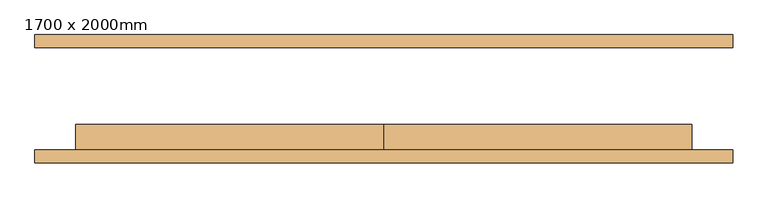
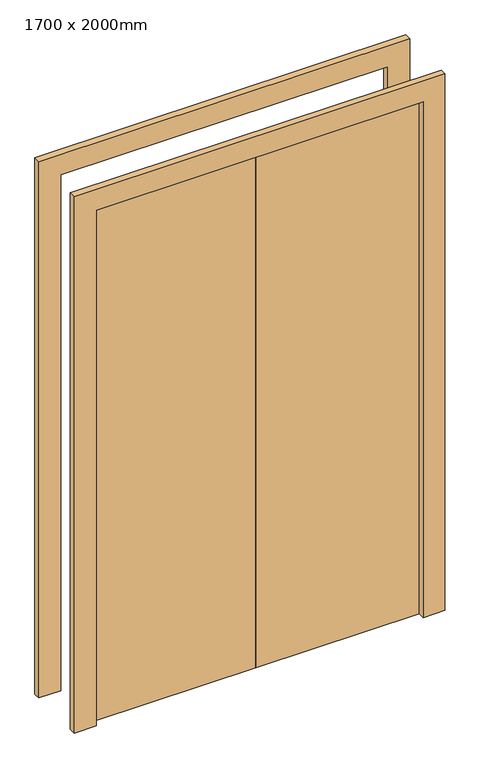
"""IFC4 building model written with IfcOpenShell, lengths in millimetres: door geometry, 1700 x 2000mm."""

from ifc_helpers import new_model, si_unit, frame, origin, origin_with_axes, place, context, project, spatial, polyline, outline, extrude, source, transform, mapped, element, save


def door_1700_x_2000mm_9ec98088(model_context):
    return source(origin(), model_context, "Body", "SweptSolid", [
        extrude(outline(polyline([(2000.0, -600.0), (2000.0, 600.0), (0.0, 600.0), (0.0, 680.0), (2080.0, 680.0), (2080.0, -680.0), (0.0, -680.0), (0.0, -600.0), (2000.0, -600.0)])), frame((0.0, 100.0, 0.0), z_axis=(0.0, 1.0, 0.0), x_axis=(0.0, 0.0, 1.0)), (0.0, 0.0, 1.0), 25.0),
        extrude(outline(polyline([(2000.0, -600.0), (2000.0, 600.0), (0.0, 600.0), (0.0, 680.0), (2080.0, 680.0), (2080.0, -680.0), (0.0, -680.0), (0.0, -600.0), (2000.0, -600.0)])), frame((0.0, -125.0, 0.0), z_axis=(0.0, 1.0, 0.0), x_axis=(0.0, 0.0, 1.0)), (0.0, 0.0, 1.0), 25.0),
        extrude(outline(polyline([(0.0, -100.0), (0.0, -50.0), (600.0, -50.0), (600.0, -100.0), (0.0, -100.0)])), origin_with_axes(), (0.0, 0.0, 1.0), 2000.0),
        extrude(outline(polyline([(-600.0, -100.0), (-600.0, -50.0), (0.0, -50.0), (0.0, -100.0), (-600.0, -100.0)])), origin_with_axes(), (0.0, 0.0, 1.0), 2000.0),
    ])


if __name__ == "__main__":
    model = new_model("IFC4")
    model_context = context("Model", 3, world=origin())
    ifc_project = project(units=[si_unit("LENGTHUNIT", "METRE", prefix="MILLI")], contexts=[model_context])
    site = spatial("IfcSite", under=ifc_project)
    building = spatial("IfcBuilding", under=site)
    placement = place(None, origin())
    door_1700_x_2000mm_shape = door_1700_x_2000mm_9ec98088(model_context)
    element("IfcDoor", 1, ObjectType="1700 x 2000mm", at=placement, inside=building, context=model_context, shape_type="MappedRepresentation", body=[
        mapped(door_1700_x_2000mm_shape, transform((0.0, 0.0, 0.0), x_axis=(1.0, 0.0, 0.0), y_axis=(0.0, 1.0, 0.0), z_axis=(0.0, 0.0, 1.0))),
    ])
    save(model, "model.ifc")
